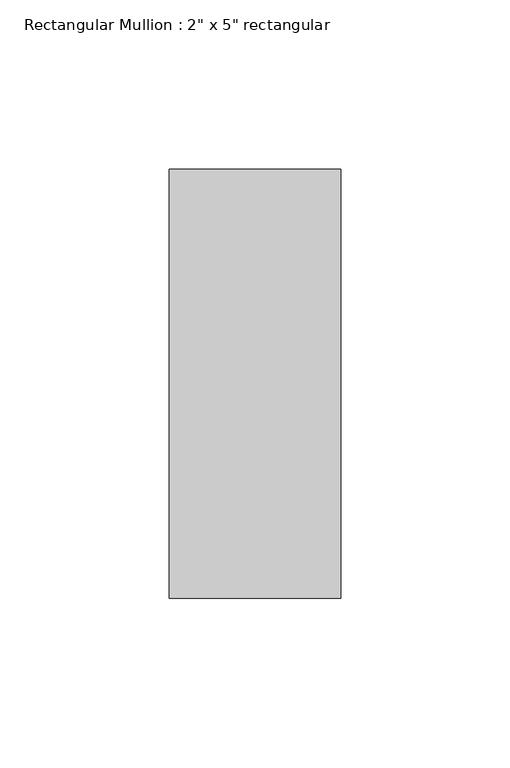
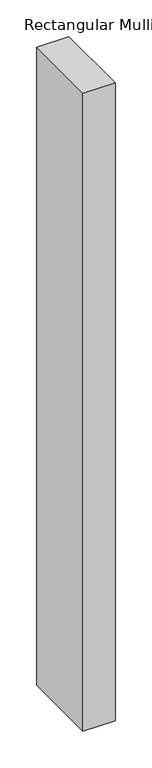
"""IFC4 building model written with IfcOpenShell, lengths in millimetres: member geometry."""

from ifc_helpers import new_model, si_unit, frame, origin, place, context, project, spatial, polyline, outline, extrude, source, transform, mapped, element, save


def member_d2279b5c(model_context):
    return source(origin(), model_context, "Body", "SweptSolid", [
        extrude(outline(polyline([(0.0, 63.5), (0.0, -63.5), (-50.8, -63.5), (-50.8, 63.5), (0.0, 63.5)])), frame((0.0, 0.0, -1066.8), z_axis=(0.0, 0.0, 1.0), x_axis=(1.0, 0.0, 0.0)), (0.0, 0.0, 1.0), 1066.8),
    ])


if __name__ == "__main__":
    model = new_model("IFC4")
    model_context = context("Model", 3, world=origin())
    ifc_project = project(units=[si_unit("LENGTHUNIT", "METRE", prefix="MILLI")], contexts=[model_context])
    site = spatial("IfcSite", under=ifc_project)
    building = spatial("IfcBuilding", under=site)
    placement = place(None, origin())
    member_shape = member_d2279b5c(model_context)
    element("IfcMember", 1, ObjectType="Rectangular Mullion : 2\" x 5\" rectangular", at=placement, inside=building, context=model_context, shape_type="MappedRepresentation", body=[
        mapped(member_shape, transform((0.0, 0.0, 0.0), x_axis=(1.0, 0.0, 0.0), y_axis=(0.0, 1.0, 0.0), z_axis=(0.0, 0.0, 1.0))),
    ])
    save(model, "model.ifc")
